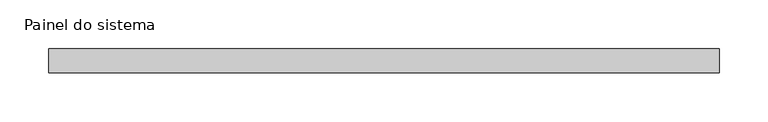
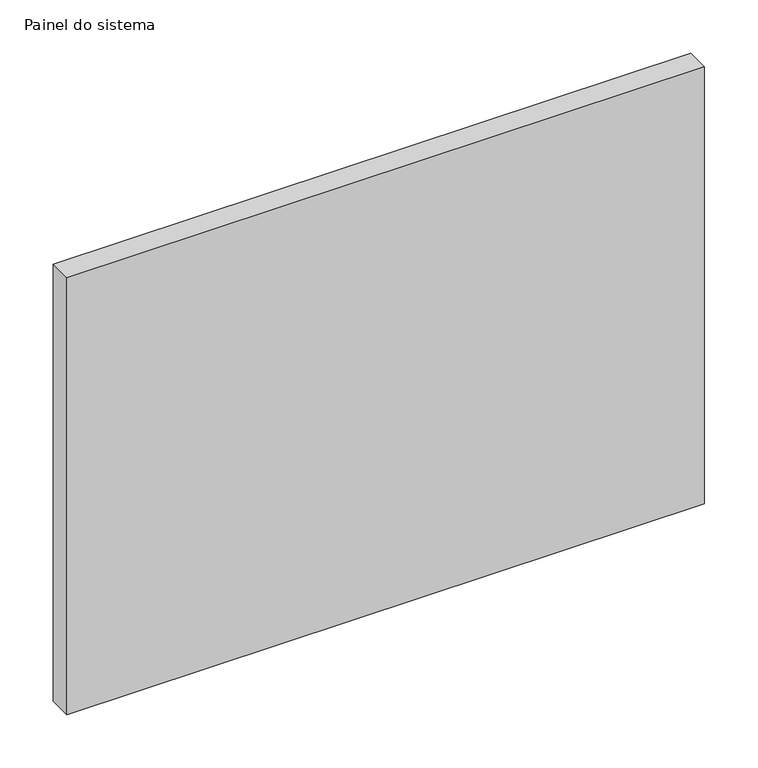
"""IFC4 building model written with IfcOpenShell, lengths in millimetres: plate geometry, Painel do sistema."""

from ifc_helpers import new_model, si_unit, origin, origin_with_axes, place, context, project, spatial, polyline, outline, extrude, source, transform, mapped, element, save


def painel_do_sistema_bc3b34df(model_context):
    return source(origin(), model_context, "Body", "SweptSolid", [
        extrude(outline(polyline([(345.0703511, 24.5), (-345.0703511, 24.5), (-345.0703511, 49.5), (345.0703511, 49.5), (345.0703511, 24.5)])), origin_with_axes(), (0.0, 0.0, 1.0), 500.0),
    ])


if __name__ == "__main__":
    model = new_model("IFC4")
    model_context = context("Model", 3, world=origin())
    ifc_project = project(units=[si_unit("LENGTHUNIT", "METRE", prefix="MILLI")], contexts=[model_context])
    site = spatial("IfcSite", under=ifc_project)
    building = spatial("IfcBuilding", under=site)
    placement = place(None, origin())
    painel_do_sistema_shape = painel_do_sistema_bc3b34df(model_context)
    element("IfcPlate", 1, ObjectType="Painel do sistema", at=placement, inside=building, context=model_context, shape_type="MappedRepresentation", body=[
        mapped(painel_do_sistema_shape, transform((0.0, 0.0, 0.0), x_axis=(1.0, 0.0, 0.0), y_axis=(0.0, 1.0, 0.0), z_axis=(0.0, 0.0, 1.0))),
    ])
    save(model, "model.ifc")
